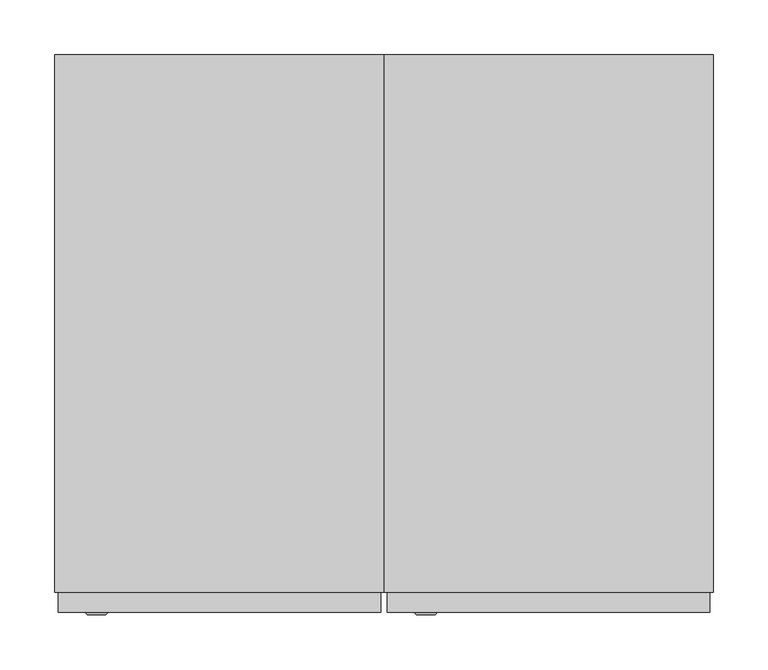
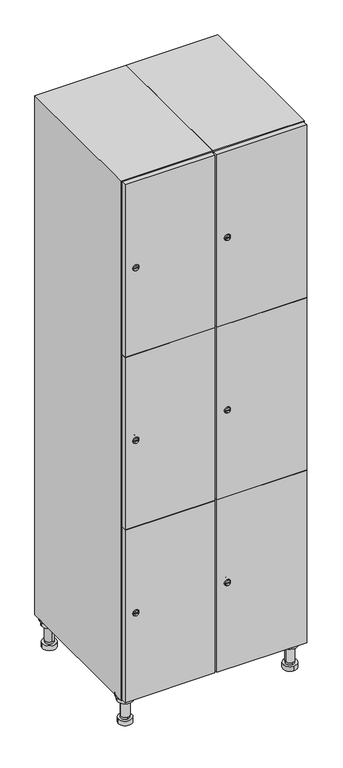
"""IFC4 building model written with IfcOpenShell, lengths in millimetres: furniture geometry."""

from ifc_helpers import new_model, si_unit, point, frame, frame_2d, origin, place, context, project, spatial, polyline, circle_curve, trimmed, segment, composite_curve, outline, extrude, faceted_brep, source, transform, mapped, element, save
from ifc_brep_helpers import plane_surface, cylinder_surface, revolved_surface, advanced_brep


def furniture_cccaa13b(model_context):
    return source(origin(), model_context, "Body", "SolidModel", [
        advanced_brep(
        [(370.0, -201.0, 22.0), (370.0, -201.5, 16.0), (370.0, -228.5, 16.0), (370.0, -229.0, 22.0), (356.0, -215.0, 22.0), (384.0, -215.0, 22.0), (370.0, -192.5, 16.0), (370.0, -237.5, 16.0), (370.0, -192.5, 0.0), (370.0, -237.5, 0.0), (384.0, -215.0, 78.0), (356.0, -215.0, 78.0), (395.0, -215.0, 78.0), (345.0, -215.0, 78.0), (400.0, -215.0, 94.0), (340.0, -215.0, 94.0), (345.0, -215.0, 94.0), (395.0, -215.0, 94.0), (400.0, -215.0, 100.0), (340.0, -215.0, 100.0)],
        [
            (0, 1),
            (1, 2, circle_curve(frame((370.0, -215.0, 16.0), z_axis=(0.0, 0.0, 1.0), x_axis=(0.0, -1.0, 0.0)), 13.5)),
            (2, 3),
            (3, 4, circle_curve(frame((370.0, -215.0, 22.0), z_axis=(0.0, 0.0, -1.0), x_axis=(0.0, -1.0, 0.0)), 14.0)),
            (4, 0, circle_curve(frame((370.0, -215.0, 22.0), z_axis=(0.0, 0.0, -1.0), x_axis=(0.0, -1.0, 0.0)), 14.0)),
            (0, 5, circle_curve(frame((370.0, -215.0, 22.0), z_axis=(0.0, 0.0, -1.0), x_axis=(0.0, 1.0, 0.0)), 14.0)),
            (5, 3, circle_curve(frame((370.0, -215.0, 22.0), z_axis=(0.0, 0.0, -1.0), x_axis=(0.0, 1.0, 0.0)), 14.0)),
            (2, 1, circle_curve(frame((370.0, -215.0, 16.0), z_axis=(0.0, 0.0, 1.0), x_axis=(0.0, 1.0, 0.0)), 13.5)),
            (6, 7, circle_curve(frame((370.0, -215.0, 16.0), z_axis=(0.0, 0.0, 1.0), x_axis=(0.0, -1.0, 0.0)), 22.5)),
            (7, 6, circle_curve(frame((370.0, -215.0, 16.0), z_axis=(0.0, 0.0, 1.0), x_axis=(0.0, -1.0, 0.0)), 22.5)),
            (8, 9, circle_curve(frame((370.0, -215.0, 0.0), z_axis=(0.0, 0.0, -1.0), x_axis=(0.0, -1.0, 0.0)), 22.5)),
            (9, 8, circle_curve(frame((370.0, -215.0, 0.0), z_axis=(0.0, 0.0, -1.0), x_axis=(0.0, -1.0, 0.0)), 22.5)),
            (6, 8),
            (9, 7),
            (5, 10),
            (10, 11, circle_curve(frame((370.0, -215.0, 78.0), z_axis=(0.0, 0.0, -1.0), x_axis=(-1.0, 0.0, 0.0)), 14.0)),
            (11, 4),
            (11, 10, circle_curve(frame((370.0, -215.0, 78.0), z_axis=(0.0, 0.0, -1.0), x_axis=(-1.0, 0.0, 0.0)), 14.0)),
            (12, 13, circle_curve(frame((370.0, -215.0, 78.0), z_axis=(0.0, 0.0, -1.0), x_axis=(-1.0, 0.0, 0.0)), 25.0)),
            (13, 12, circle_curve(frame((370.0, -215.0, 78.0), z_axis=(0.0, 0.0, -1.0), x_axis=(-1.0, 0.0, 0.0)), 25.0)),
            (14, 15, circle_curve(frame((370.0, -215.0, 94.0), z_axis=(0.0, 0.0, -1.0), x_axis=(-1.0, 0.0, 0.0)), 30.0)),
            (15, 14, circle_curve(frame((370.0, -215.0, 94.0), z_axis=(0.0, 0.0, -1.0), x_axis=(-1.0, 0.0, 0.0)), 30.0)),
            (16, 17, circle_curve(frame((370.0, -215.0, 94.0), z_axis=(0.0, 0.0, 1.0), x_axis=(-1.0, 0.0, 0.0)), 25.0)),
            (17, 16, circle_curve(frame((370.0, -215.0, 94.0), z_axis=(0.0, 0.0, 1.0), x_axis=(-1.0, 0.0, 0.0)), 25.0)),
            (18, 19, circle_curve(frame((370.0, -215.0, 100.0), z_axis=(0.0, 0.0, 1.0), x_axis=(-1.0, 0.0, 0.0)), 30.0)),
            (19, 18, circle_curve(frame((370.0, -215.0, 100.0), z_axis=(0.0, 0.0, 1.0), x_axis=(-1.0, 0.0, 0.0)), 30.0)),
            (14, 18),
            (19, 15),
            (12, 17),
            (16, 13),
        ],
        [
            revolved_surface(polyline([(370.0, -201.5, 16.0), (370.0, -201.0, 22.0)]), (370.0, -215.0, -146.0), (0.0, 0.0, 1.0)),
            plane_surface(frame((370.0, 0.0, 16.0), z_axis=(0.0, 0.0, 1.0), x_axis=(0.0, -1.0, 0.0))),
            plane_surface(frame((370.0, 0.0, 0.0), z_axis=(0.0, 0.0, -1.0), x_axis=(0.0, -1.0, 0.0))),
            cylinder_surface(frame((370.0, -215.0, 16.0), z_axis=(0.0, 0.0, 1.0), x_axis=(0.0, -1.0, 0.0)), 22.5),
            cylinder_surface(frame((370.0, -215.0, 22.0), z_axis=(0.0, 0.0, -1.0), x_axis=(-1.0, 0.0, 0.0)), 14.0),
            plane_surface(frame((370.0, 0.0, 78.0), z_axis=(0.0, 0.0, -1.0), x_axis=(0.0, -1.0, 0.0))),
            plane_surface(frame((370.0, 0.0, 94.0), z_axis=(0.0, 0.0, -1.0), x_axis=(0.0, -1.0, 0.0))),
            plane_surface(frame((370.0, 0.0, 100.0), z_axis=(0.0, 0.0, 1.0), x_axis=(0.0, -1.0, 0.0))),
            cylinder_surface(frame((370.0, -215.0, 94.0), z_axis=(0.0, 0.0, -1.0), x_axis=(-1.0, 0.0, 0.0)), 30.0),
            cylinder_surface(frame((370.0, -215.0, 78.0), z_axis=(0.0, 0.0, -1.0), x_axis=(-1.0, 0.0, 0.0)), 25.0),
        ],
        [
            (0, [[1, 2, 3, 4, 5]]),
            (0, [[-1, 6, 7, -3, 8]]),
            (1, [[9, 10], [-2, -8]]),
            (2, [[11, 12]]),
            (3, [[-9, 13, -12, 14]]),
            (3, [[-10, -14, -11, -13]]),
            (4, [[15, 16, 17, -4, -7]]),
            (4, [[-15, -6, -5, -17, 18]]),
            (5, [[19, 20], [-16, -18]]),
            (6, [[21, 22], [23, 24]]),
            (7, [[25, 26]]),
            (8, [[-21, 27, -26, 28]]),
            (8, [[-22, -28, -25, -27]]),
            (9, [[-19, 29, -23, 30]]),
            (9, [[-20, -30, -24, -29]]),
        ],
    ),
        advanced_brep(
        [(-170.0, -201.0, 22.0), (-170.0, -201.5, 16.0), (-170.0, -228.5, 16.0), (-170.0, -229.0, 22.0), (-184.0, -215.0, 22.0), (-156.0, -215.0, 22.0), (-147.5, -215.0, 0.0), (-192.5, -215.0, 0.0), (-147.5, -215.0, 16.0), (-192.5, -215.0, 16.0), (-156.0, -215.0, 78.0), (-184.0, -215.0, 78.0), (-145.0, -215.0, 78.0), (-195.0, -215.0, 78.0), (-140.0, -215.0, 94.0), (-200.0, -215.0, 94.0), (-195.0, -215.0, 94.0), (-145.0, -215.0, 94.0), (-140.0, -215.0, 100.0), (-200.0, -215.0, 100.0)],
        [
            (0, 1),
            (1, 2, circle_curve(frame((-170.0, -215.0, 16.0), z_axis=(0.0, 0.0, 1.0), x_axis=(0.0, -1.0, 0.0)), 13.5)),
            (2, 3),
            (3, 4, circle_curve(frame((-170.0, -215.0, 22.0), z_axis=(0.0, 0.0, -1.0), x_axis=(0.0, -1.0, 0.0)), 14.0)),
            (4, 0, circle_curve(frame((-170.0, -215.0, 22.0), z_axis=(0.0, 0.0, -1.0), x_axis=(0.0, -1.0, 0.0)), 14.0)),
            (0, 5, circle_curve(frame((-170.0, -215.0, 22.0), z_axis=(0.0, 0.0, -1.0), x_axis=(0.0, 1.0, 0.0)), 14.0)),
            (5, 3, circle_curve(frame((-170.0, -215.0, 22.0), z_axis=(0.0, 0.0, -1.0), x_axis=(0.0, 1.0, 0.0)), 14.0)),
            (2, 1, circle_curve(frame((-170.0, -215.0, 16.0), z_axis=(0.0, 0.0, 1.0), x_axis=(0.0, 1.0, 0.0)), 13.5)),
            (6, 7, circle_curve(frame((-170.0, -215.0, 0.0), z_axis=(0.0, 0.0, -1.0), x_axis=(-1.0, 0.0, 0.0)), 22.5)),
            (7, 6, circle_curve(frame((-170.0, -215.0, 0.0), z_axis=(0.0, 0.0, -1.0), x_axis=(-1.0, 0.0, 0.0)), 22.5)),
            (8, 9, circle_curve(frame((-170.0, -215.0, 16.0), z_axis=(0.0, 0.0, 1.0), x_axis=(-1.0, 0.0, 0.0)), 22.5)),
            (9, 8, circle_curve(frame((-170.0, -215.0, 16.0), z_axis=(0.0, 0.0, 1.0), x_axis=(-1.0, 0.0, 0.0)), 22.5)),
            (6, 8),
            (9, 7),
            (5, 10),
            (10, 11, circle_curve(frame((-170.0, -215.0, 78.0), z_axis=(0.0, 0.0, -1.0), x_axis=(-1.0, 0.0, 0.0)), 14.0)),
            (11, 4),
            (11, 10, circle_curve(frame((-170.0, -215.0, 78.0), z_axis=(0.0, 0.0, -1.0), x_axis=(-1.0, 0.0, 0.0)), 14.0)),
            (12, 13, circle_curve(frame((-170.0, -215.0, 78.0), z_axis=(0.0, 0.0, -1.0), x_axis=(-1.0, 0.0, 0.0)), 25.0)),
            (13, 12, circle_curve(frame((-170.0, -215.0, 78.0), z_axis=(0.0, 0.0, -1.0), x_axis=(-1.0, 0.0, 0.0)), 25.0)),
            (14, 15, circle_curve(frame((-170.0, -215.0, 94.0), z_axis=(0.0, 0.0, -1.0), x_axis=(-1.0, 0.0, 0.0)), 30.0)),
            (15, 14, circle_curve(frame((-170.0, -215.0, 94.0), z_axis=(0.0, 0.0, -1.0), x_axis=(-1.0, 0.0, 0.0)), 30.0)),
            (16, 17, circle_curve(frame((-170.0, -215.0, 94.0), z_axis=(0.0, 0.0, 1.0), x_axis=(-1.0, 0.0, 0.0)), 25.0)),
            (17, 16, circle_curve(frame((-170.0, -215.0, 94.0), z_axis=(0.0, 0.0, 1.0), x_axis=(-1.0, 0.0, 0.0)), 25.0)),
            (18, 19, circle_curve(frame((-170.0, -215.0, 100.0), z_axis=(0.0, 0.0, 1.0), x_axis=(-1.0, 0.0, 0.0)), 30.0)),
            (19, 18, circle_curve(frame((-170.0, -215.0, 100.0), z_axis=(0.0, 0.0, 1.0), x_axis=(-1.0, 0.0, 0.0)), 30.0)),
            (14, 18),
            (19, 15),
            (12, 17),
            (16, 13),
        ],
        [
            revolved_surface(polyline([(-170.0, -201.5, 16.0), (-170.0, -201.0, 22.0)]), (-170.0, -215.0, -146.0), (0.0, 0.0, 1.0)),
            plane_surface(frame((-170.0, 0.0, 0.0), z_axis=(0.0, 0.0, -1.0), x_axis=(0.0, -1.0, 0.0))),
            plane_surface(frame((-170.0, 0.0, 16.0), z_axis=(0.0, 0.0, 1.0), x_axis=(0.0, -1.0, 0.0))),
            cylinder_surface(frame((-170.0, -215.0, 0.0), z_axis=(0.0, 0.0, -1.0), x_axis=(-1.0, 0.0, 0.0)), 22.5),
            cylinder_surface(frame((-170.0, -215.0, 22.0), z_axis=(0.0, 0.0, -1.0), x_axis=(-1.0, 0.0, 0.0)), 14.0),
            plane_surface(frame((-170.0, 0.0, 78.0), z_axis=(0.0, 0.0, -1.0), x_axis=(0.0, -1.0, 0.0))),
            plane_surface(frame((-170.0, 0.0, 94.0), z_axis=(0.0, 0.0, -1.0), x_axis=(0.0, -1.0, 0.0))),
            plane_surface(frame((-170.0, 0.0, 100.0), z_axis=(0.0, 0.0, 1.0), x_axis=(0.0, -1.0, 0.0))),
            cylinder_surface(frame((-170.0, -215.0, 94.0), z_axis=(0.0, 0.0, -1.0), x_axis=(-1.0, 0.0, 0.0)), 30.0),
            cylinder_surface(frame((-170.0, -215.0, 78.0), z_axis=(0.0, 0.0, -1.0), x_axis=(-1.0, 0.0, 0.0)), 25.0),
        ],
        [
            (0, [[1, 2, 3, 4, 5]]),
            (0, [[-1, 6, 7, -3, 8]]),
            (1, [[9, 10]]),
            (2, [[11, 12], [-2, -8]]),
            (3, [[-9, 13, -12, 14]]),
            (3, [[-10, -14, -11, -13]]),
            (4, [[15, 16, 17, -4, -7]]),
            (4, [[-15, -6, -5, -17, 18]]),
            (5, [[19, 20], [-16, -18]]),
            (6, [[21, 22], [23, 24]]),
            (7, [[25, 26]]),
            (8, [[-21, 27, -26, 28]]),
            (8, [[-22, -28, -25, -27]]),
            (9, [[-19, 29, -23, 30]]),
            (9, [[-20, -30, -24, -29]]),
        ],
    ),
        advanced_brep(
        [(383.5, 215.0, 16.0), (384.0, 215.0, 22.0), (356.0, 215.0, 22.0), (356.5, 215.0, 16.0), (392.5, 215.0, 0.0), (347.5, 215.0, 0.0), (392.5, 215.0, 16.0), (347.5, 215.0, 16.0), (384.0, 215.0, 78.0), (356.0, 215.0, 78.0), (395.0, 215.0, 78.0), (345.0, 215.0, 78.0), (400.0, 215.0, 94.0), (340.0, 215.0, 94.0), (345.0, 215.0, 94.0), (395.0, 215.0, 94.0), (400.0, 215.0, 100.0), (340.0, 215.0, 100.0)],
        [
            (0, 1),
            (1, 2, circle_curve(frame((370.0, 215.0, 22.0), z_axis=(0.0, 0.0, -1.0), x_axis=(-1.0, 0.0, 0.0)), 14.0)),
            (2, 3),
            (3, 0, circle_curve(frame((370.0, 215.0, 16.0), z_axis=(0.0, 0.0, 1.0), x_axis=(-1.0, 0.0, 0.0)), 13.5)),
            (0, 3, circle_curve(frame((370.0, 215.0, 16.0), z_axis=(0.0, 0.0, 1.0), x_axis=(1.0, 0.0, 0.0)), 13.5)),
            (2, 1, circle_curve(frame((370.0, 215.0, 22.0), z_axis=(0.0, 0.0, -1.0), x_axis=(1.0, 0.0, 0.0)), 14.0)),
            (4, 5, circle_curve(frame((370.0, 215.0, 0.0), z_axis=(0.0, 0.0, -1.0), x_axis=(-1.0, 0.0, 0.0)), 22.5)),
            (5, 4, circle_curve(frame((370.0, 215.0, 0.0), z_axis=(0.0, 0.0, -1.0), x_axis=(-1.0, 0.0, 0.0)), 22.5)),
            (6, 7, circle_curve(frame((370.0, 215.0, 16.0), z_axis=(0.0, 0.0, 1.0), x_axis=(-1.0, 0.0, 0.0)), 22.5)),
            (7, 6, circle_curve(frame((370.0, 215.0, 16.0), z_axis=(0.0, 0.0, 1.0), x_axis=(-1.0, 0.0, 0.0)), 22.5)),
            (4, 6),
            (7, 5),
            (1, 8),
            (8, 9, circle_curve(frame((370.0, 215.0, 78.0), z_axis=(0.0, 0.0, -1.0), x_axis=(-1.0, 0.0, 0.0)), 14.0)),
            (9, 2),
            (9, 8, circle_curve(frame((370.0, 215.0, 78.0), z_axis=(0.0, 0.0, -1.0), x_axis=(-1.0, 0.0, 0.0)), 14.0)),
            (10, 11, circle_curve(frame((370.0, 215.0, 78.0), z_axis=(0.0, 0.0, -1.0), x_axis=(-1.0, 0.0, 0.0)), 25.0)),
            (11, 10, circle_curve(frame((370.0, 215.0, 78.0), z_axis=(0.0, 0.0, -1.0), x_axis=(-1.0, 0.0, 0.0)), 25.0)),
            (12, 13, circle_curve(frame((370.0, 215.0, 94.0), z_axis=(0.0, 0.0, -1.0), x_axis=(-1.0, 0.0, 0.0)), 30.0)),
            (13, 12, circle_curve(frame((370.0, 215.0, 94.0), z_axis=(0.0, 0.0, -1.0), x_axis=(-1.0, 0.0, 0.0)), 30.0)),
            (14, 15, circle_curve(frame((370.0, 215.0, 94.0), z_axis=(0.0, 0.0, 1.0), x_axis=(-1.0, 0.0, 0.0)), 25.0)),
            (15, 14, circle_curve(frame((370.0, 215.0, 94.0), z_axis=(0.0, 0.0, 1.0), x_axis=(-1.0, 0.0, 0.0)), 25.0)),
            (16, 17, circle_curve(frame((370.0, 215.0, 100.0), z_axis=(0.0, 0.0, 1.0), x_axis=(-1.0, 0.0, 0.0)), 30.0)),
            (17, 16, circle_curve(frame((370.0, 215.0, 100.0), z_axis=(0.0, 0.0, 1.0), x_axis=(-1.0, 0.0, 0.0)), 30.0)),
            (12, 16),
            (17, 13),
            (10, 15),
            (14, 11),
        ],
        [
            revolved_surface(polyline([(383.5, 215.0, 16.0), (384.0, 215.0, 22.0)]), (370.0, 215.0, -146.0), (0.0, 0.0, 1.0)),
            plane_surface(frame((370.0, 0.0, 0.0), z_axis=(0.0, 0.0, -1.0), x_axis=(0.0, -1.0, 0.0))),
            plane_surface(frame((370.0, 0.0, 16.0), z_axis=(0.0, 0.0, 1.0), x_axis=(0.0, -1.0, 0.0))),
            cylinder_surface(frame((370.0, 215.0, 0.0), z_axis=(0.0, 0.0, -1.0), x_axis=(-1.0, 0.0, 0.0)), 22.5),
            cylinder_surface(frame((370.0, 215.0, 22.0), z_axis=(0.0, 0.0, -1.0), x_axis=(-1.0, 0.0, 0.0)), 14.0),
            plane_surface(frame((370.0, 0.0, 78.0), z_axis=(0.0, 0.0, -1.0), x_axis=(0.0, -1.0, 0.0))),
            plane_surface(frame((370.0, 0.0, 94.0), z_axis=(0.0, 0.0, -1.0), x_axis=(0.0, -1.0, 0.0))),
            plane_surface(frame((370.0, 0.0, 100.0), z_axis=(0.0, 0.0, 1.0), x_axis=(0.0, -1.0, 0.0))),
            cylinder_surface(frame((370.0, 215.0, 94.0), z_axis=(0.0, 0.0, -1.0), x_axis=(-1.0, 0.0, 0.0)), 30.0),
            cylinder_surface(frame((370.0, 215.0, 78.0), z_axis=(0.0, 0.0, -1.0), x_axis=(-1.0, 0.0, 0.0)), 25.0),
        ],
        [
            (0, [[1, 2, 3, 4]]),
            (0, [[-1, 5, -3, 6]]),
            (1, [[7, 8]]),
            (2, [[9, 10], [-4, -5]]),
            (3, [[-7, 11, -10, 12]]),
            (3, [[-8, -12, -9, -11]]),
            (4, [[13, 14, 15, -2]]),
            (4, [[-13, -6, -15, 16]]),
            (5, [[17, 18], [-14, -16]]),
            (6, [[19, 20], [21, 22]]),
            (7, [[23, 24]]),
            (8, [[-19, 25, -24, 26]]),
            (8, [[-20, -26, -23, -25]]),
            (9, [[-17, 27, -21, 28]]),
            (9, [[-18, -28, -22, -27]]),
        ],
    ),
        advanced_brep(
        [(-156.5, 215.0, 16.0), (-156.0, 215.0, 22.0), (-170.0, 201.0, 22.0), (-184.0, 215.0, 22.0), (-183.5, 215.0, 16.0), (-170.0, 229.0, 22.0), (-147.5, 215.0, 0.0), (-192.5, 215.0, 0.0), (-147.5, 215.0, 16.0), (-192.5, 215.0, 16.0), (-170.0, 229.0, 78.0), (-170.0, 201.0, 78.0), (-145.0, 215.0, 78.0), (-195.0, 215.0, 78.0), (-140.0, 215.0, 94.0), (-200.0, 215.0, 94.0), (-195.0, 215.0, 94.0), (-145.0, 215.0, 94.0), (-140.0, 215.0, 100.0), (-200.0, 215.0, 100.0)],
        [
            (0, 1),
            (1, 2, circle_curve(frame((-170.0, 215.0, 22.0), z_axis=(0.0, 0.0, -1.0), x_axis=(-1.0, 0.0, 0.0)), 14.0)),
            (2, 3, circle_curve(frame((-170.0, 215.0, 22.0), z_axis=(0.0, 0.0, -1.0), x_axis=(-1.0, 0.0, 0.0)), 14.0)),
            (3, 4),
            (4, 0, circle_curve(frame((-170.0, 215.0, 16.0), z_axis=(0.0, 0.0, 1.0), x_axis=(-1.0, 0.0, 0.0)), 13.5)),
            (0, 4, circle_curve(frame((-170.0, 215.0, 16.0), z_axis=(0.0, 0.0, 1.0), x_axis=(1.0, 0.0, 0.0)), 13.5)),
            (3, 5, circle_curve(frame((-170.0, 215.0, 22.0), z_axis=(0.0, 0.0, -1.0), x_axis=(1.0, 0.0, 0.0)), 14.0)),
            (5, 1, circle_curve(frame((-170.0, 215.0, 22.0), z_axis=(0.0, 0.0, -1.0), x_axis=(1.0, 0.0, 0.0)), 14.0)),
            (6, 7, circle_curve(frame((-170.0, 215.0, 0.0), z_axis=(0.0, 0.0, -1.0), x_axis=(-1.0, 0.0, 0.0)), 22.5)),
            (7, 6, circle_curve(frame((-170.0, 215.0, 0.0), z_axis=(0.0, 0.0, -1.0), x_axis=(-1.0, 0.0, 0.0)), 22.5)),
            (8, 9, circle_curve(frame((-170.0, 215.0, 16.0), z_axis=(0.0, 0.0, 1.0), x_axis=(-1.0, 0.0, 0.0)), 22.5)),
            (9, 8, circle_curve(frame((-170.0, 215.0, 16.0), z_axis=(0.0, 0.0, 1.0), x_axis=(-1.0, 0.0, 0.0)), 22.5)),
            (6, 8),
            (9, 7),
            (10, 5),
            (2, 11),
            (11, 10, circle_curve(frame((-170.0, 215.0, 78.0), z_axis=(0.0, 0.0, -1.0), x_axis=(0.0, -1.0, 0.0)), 14.0)),
            (10, 11, circle_curve(frame((-170.0, 215.0, 78.0), z_axis=(0.0, 0.0, -1.0), x_axis=(0.0, -1.0, 0.0)), 14.0)),
            (12, 13, circle_curve(frame((-170.0, 215.0, 78.0), z_axis=(0.0, 0.0, -1.0), x_axis=(-1.0, 0.0, 0.0)), 25.0)),
            (13, 12, circle_curve(frame((-170.0, 215.0, 78.0), z_axis=(0.0, 0.0, -1.0), x_axis=(-1.0, 0.0, 0.0)), 25.0)),
            (14, 15, circle_curve(frame((-170.0, 215.0, 94.0), z_axis=(0.0, 0.0, -1.0), x_axis=(-1.0, 0.0, 0.0)), 30.0)),
            (15, 14, circle_curve(frame((-170.0, 215.0, 94.0), z_axis=(0.0, 0.0, -1.0), x_axis=(-1.0, 0.0, 0.0)), 30.0)),
            (16, 17, circle_curve(frame((-170.0, 215.0, 94.0), z_axis=(0.0, 0.0, 1.0), x_axis=(-1.0, 0.0, 0.0)), 25.0)),
            (17, 16, circle_curve(frame((-170.0, 215.0, 94.0), z_axis=(0.0, 0.0, 1.0), x_axis=(-1.0, 0.0, 0.0)), 25.0)),
            (18, 19, circle_curve(frame((-170.0, 215.0, 100.0), z_axis=(0.0, 0.0, 1.0), x_axis=(-1.0, 0.0, 0.0)), 30.0)),
            (19, 18, circle_curve(frame((-170.0, 215.0, 100.0), z_axis=(0.0, 0.0, 1.0), x_axis=(-1.0, 0.0, 0.0)), 30.0)),
            (14, 18),
            (19, 15),
            (12, 17),
            (16, 13),
        ],
        [
            revolved_surface(polyline([(-156.5, 215.0, 16.0), (-156.0, 215.0, 22.0)]), (-170.0, 215.0, -146.0), (0.0, 0.0, 1.0)),
            plane_surface(frame((-170.0, 0.0, 0.0), z_axis=(0.0, 0.0, -1.0), x_axis=(0.0, -1.0, 0.0))),
            plane_surface(frame((-170.0, 0.0, 16.0), z_axis=(0.0, 0.0, 1.0), x_axis=(0.0, -1.0, 0.0))),
            cylinder_surface(frame((-170.0, 215.0, 0.0), z_axis=(0.0, 0.0, -1.0), x_axis=(-1.0, 0.0, 0.0)), 22.5),
            cylinder_surface(frame((-170.0, 215.0, 78.0), z_axis=(0.0, 0.0, 1.0), x_axis=(0.0, -1.0, 0.0)), 14.0),
            plane_surface(frame((-170.0, 0.0, 78.0), z_axis=(0.0, 0.0, -1.0), x_axis=(0.0, -1.0, 0.0))),
            plane_surface(frame((-170.0, 0.0, 94.0), z_axis=(0.0, 0.0, -1.0), x_axis=(0.0, -1.0, 0.0))),
            plane_surface(frame((-170.0, 0.0, 100.0), z_axis=(0.0, 0.0, 1.0), x_axis=(0.0, -1.0, 0.0))),
            cylinder_surface(frame((-170.0, 215.0, 94.0), z_axis=(0.0, 0.0, -1.0), x_axis=(-1.0, 0.0, 0.0)), 30.0),
            cylinder_surface(frame((-170.0, 215.0, 78.0), z_axis=(0.0, 0.0, -1.0), x_axis=(-1.0, 0.0, 0.0)), 25.0),
        ],
        [
            (0, [[1, 2, 3, 4, 5]]),
            (0, [[-1, 6, -4, 7, 8]]),
            (1, [[9, 10]]),
            (2, [[11, 12], [-5, -6]]),
            (3, [[-9, 13, -12, 14]]),
            (3, [[-10, -14, -11, -13]]),
            (4, [[15, -7, -3, 16, 17]]),
            (4, [[-15, 18, -16, -2, -8]]),
            (5, [[19, 20], [-17, -18]]),
            (6, [[21, 22], [23, 24]]),
            (7, [[25, 26]]),
            (8, [[-21, 27, -26, 28]]),
            (8, [[-22, -28, -25, -27]]),
            (9, [[-19, 29, -23, 30]]),
            (9, [[-20, -30, -24, -29]]),
        ],
    ),
        extrude(outline(composite_curve([segment(trimmed(circle_curve(frame_2d((402.0, 111.2010534)), 7.0), [point((409.0, 111.2010534))], [point((395.0, 111.2010534))], False, "CARTESIAN"), True, "CONTINUOUS"), segment(polyline([(395.0, 111.2010534), (395.0, 139.2010534)]), True, "CONTINUOUS"), segment(trimmed(circle_curve(frame_2d((402.0, 139.2010534)), 7.0), [point((395.0, 139.2010534))], [point((409.0, 139.2010534))], False, "CARTESIAN"), True, "CONTINUOUS"), segment(polyline([(409.0, 139.2010534), (409.0, 111.2010534)]), True, "CONTINUOUS")], self_intersect=False)), frame((0.0, -245.0, 0.0), z_axis=(0.0, 1.0, 0.0), x_axis=(0.0, 0.0, 1.0)), (0.0, 0.0, 1.0), 2.0),
        advanced_brep(
        [(146.5, -265.2, 402.0), (129.5, -265.2, 402.0), (133.0, -265.2, 400.75), (133.0, -265.2, 403.25), (143.0, -265.2, 403.25), (143.0, -265.2, 400.75), (148.5, -263.0, 402.0), (127.5, -263.0, 402.0), (133.0, -263.0, 403.25), (133.0, -263.0, 400.75), (143.0, -263.0, 400.75), (143.0, -263.0, 403.25)],
        [
            (0, 1, circle_curve(frame((138.0, -265.2, 402.0), z_axis=(0.0, -1.0, 0.0), x_axis=(1.0, 0.0, 0.0)), 8.5)),
            (1, 0, circle_curve(frame((138.0, -265.2, 402.0), z_axis=(0.0, -1.0, 0.0), x_axis=(-1.0, 0.0, 0.0)), 8.5)),
            (2, 3),
            (3, 4),
            (4, 5),
            (5, 2),
            (6, 7, circle_curve(frame((138.0, -263.0, 402.0), z_axis=(0.0, 1.0, 0.0), x_axis=(-1.0, 0.0, 0.0)), 10.5)),
            (7, 6, circle_curve(frame((138.0, -263.0, 402.0), z_axis=(0.0, 1.0, 0.0), x_axis=(1.0, 0.0, 0.0)), 10.5)),
            (8, 9),
            (9, 10),
            (10, 11),
            (11, 8),
            (0, 6),
            (7, 1),
            (8, 3),
            (2, 9),
            (11, 4),
            (10, 5),
        ],
        [
            plane_surface(frame((138.0, -265.2, 402.0), z_axis=(0.0, -1.0, 0.0), x_axis=(0.0, 0.0, 1.0))),
            plane_surface(frame((138.0, -263.0, 402.0), z_axis=(0.0, 1.0, 0.0), x_axis=(0.0, 0.0, 1.0))),
            revolved_surface(polyline([(146.5, -265.2, 402.0), (148.5, -263.0, 402.0)]), (138.0, -274.55, 402.0), (0.0, 1.0, 0.0)),
            revolved_surface(polyline([(129.5, -265.2, 402.0), (127.5, -263.0, 402.0)]), (138.0, -274.55, 402.0), (0.0, 1.0, 0.0)),
            plane_surface(frame((133.0, -263.0, 400.75), z_axis=(1.0, 0.0, 0.0), x_axis=(0.0, -1.0, 0.0))),
            plane_surface(frame((133.0, -263.0, 403.25), z_axis=(0.0, 0.0, -1.0), x_axis=(0.0, -1.0, 0.0))),
            plane_surface(frame((143.0, -263.0, 403.25), z_axis=(-1.0, 0.0, 0.0), x_axis=(0.0, -1.0, 0.0))),
            plane_surface(frame((143.0, -263.0, 400.75), z_axis=(0.0, 0.0, 1.0), x_axis=(0.0, -1.0, 0.0))),
        ],
        [
            (0, [[1, 2], [3, 4, 5, 6]]),
            (1, [[7, 8], [9, 10, 11, 12]]),
            (2, [[-1, 13, -8, 14]]),
            (3, [[-2, -14, -7, -13]]),
            (4, [[15, -3, 16, -9]]),
            (5, [[-15, -12, 17, -4]]),
            (6, [[-17, -11, 18, -5]]),
            (7, [[-16, -6, -18, -10]]),
        ],
    ),
        extrude(outline(composite_curve([segment(trimmed(circle_curve(frame_2d((1000.0, 111.2010534)), 7.0), [point((1007.0, 111.2010534))], [point((993.0, 111.2010534))], False, "CARTESIAN"), True, "CONTINUOUS"), segment(polyline([(993.0, 111.2010534), (993.0, 139.2010534)]), True, "CONTINUOUS"), segment(trimmed(circle_curve(frame_2d((1000.0, 139.2010534)), 7.0), [point((993.0, 139.2010534))], [point((1007.0, 139.2010534))], False, "CARTESIAN"), True, "CONTINUOUS"), segment(polyline([(1007.0, 139.2010534), (1007.0, 111.2010534)]), True, "CONTINUOUS")], self_intersect=False)), frame((0.0, -245.0, 0.0), z_axis=(0.0, 1.0, 0.0), x_axis=(0.0, 0.0, 1.0)), (0.0, 0.0, 1.0), 2.0),
        advanced_brep(
        [(146.5, -265.2, 1000.0), (129.5, -265.2, 1000.0), (133.0, -265.2, 998.75), (133.0, -265.2, 1001.25), (143.0, -265.2, 1001.25), (143.0, -265.2, 998.75), (148.5, -263.0, 1000.0), (127.5, -263.0, 1000.0), (133.0, -263.0, 1001.25), (133.0, -263.0, 998.75), (143.0, -263.0, 998.75), (143.0, -263.0, 1001.25)],
        [
            (0, 1, circle_curve(frame((138.0, -265.2, 1000.0), z_axis=(0.0, -1.0, 0.0), x_axis=(1.0, 0.0, 0.0)), 8.5)),
            (1, 0, circle_curve(frame((138.0, -265.2, 1000.0), z_axis=(0.0, -1.0, 0.0), x_axis=(-1.0, 0.0, 0.0)), 8.5)),
            (2, 3),
            (3, 4),
            (4, 5),
            (5, 2),
            (6, 7, circle_curve(frame((138.0, -263.0, 1000.0), z_axis=(0.0, 1.0, 0.0), x_axis=(-1.0, 0.0, 0.0)), 10.5)),
            (7, 6, circle_curve(frame((138.0, -263.0, 1000.0), z_axis=(0.0, 1.0, 0.0), x_axis=(1.0, 0.0, 0.0)), 10.5)),
            (8, 9),
            (9, 10),
            (10, 11),
            (11, 8),
            (0, 6),
            (7, 1),
            (8, 3),
            (2, 9),
            (11, 4),
            (10, 5),
        ],
        [
            plane_surface(frame((138.0, -265.2, 1000.0), z_axis=(0.0, -1.0, 0.0), x_axis=(0.0, 0.0, 1.0))),
            plane_surface(frame((138.0, -263.0, 1000.0), z_axis=(0.0, 1.0, 0.0), x_axis=(0.0, 0.0, 1.0))),
            revolved_surface(polyline([(146.5, -265.2, 1000.0), (148.5, -263.0, 1000.0)]), (138.0, -274.55, 1000.0), (0.0, 1.0, 0.0)),
            revolved_surface(polyline([(129.5, -265.2, 1000.0), (127.5, -263.0, 1000.0)]), (138.0, -274.55, 1000.0), (0.0, 1.0, 0.0)),
            plane_surface(frame((133.0, -263.0, 998.75), z_axis=(1.0, 0.0, 0.0), x_axis=(0.0, -1.0, 0.0))),
            plane_surface(frame((133.0, -263.0, 1001.25), z_axis=(0.0, 0.0, -1.0), x_axis=(0.0, -1.0, 0.0))),
            plane_surface(frame((143.0, -263.0, 1001.25), z_axis=(-1.0, 0.0, 0.0), x_axis=(0.0, -1.0, 0.0))),
            plane_surface(frame((143.0, -263.0, 998.75), z_axis=(0.0, 0.0, 1.0), x_axis=(0.0, -1.0, 0.0))),
        ],
        [
            (0, [[1, 2], [3, 4, 5, 6]]),
            (1, [[7, 8], [9, 10, 11, 12]]),
            (2, [[-1, 13, -8, 14]]),
            (3, [[-2, -14, -7, -13]]),
            (4, [[15, -3, 16, -9]]),
            (5, [[-15, -12, 17, -4]]),
            (6, [[-17, -11, 18, -5]]),
            (7, [[-16, -6, -18, -10]]),
        ],
    ),
        extrude(outline(composite_curve([segment(trimmed(circle_curve(frame_2d((1598.0, 111.2010534)), 7.0), [point((1605.0, 111.2010534))], [point((1591.0, 111.2010534))], False, "CARTESIAN"), True, "CONTINUOUS"), segment(polyline([(1591.0, 111.2010534), (1591.0, 139.2010534)]), True, "CONTINUOUS"), segment(trimmed(circle_curve(frame_2d((1598.0, 139.2010534)), 7.0), [point((1591.0, 139.2010534))], [point((1605.0, 139.2010534))], False, "CARTESIAN"), True, "CONTINUOUS"), segment(polyline([(1605.0, 139.2010534), (1605.0, 111.2010534)]), True, "CONTINUOUS")], self_intersect=False)), frame((0.0, -245.0, 0.0), z_axis=(0.0, 1.0, 0.0), x_axis=(0.0, 0.0, 1.0)), (0.0, 0.0, 1.0), 2.0),
        advanced_brep(
        [(146.5, -265.2, 1598.0), (129.5, -265.2, 1598.0), (133.0, -265.2, 1596.75), (133.0, -265.2, 1599.25), (143.0, -265.2, 1599.25), (143.0, -265.2, 1596.75), (148.5, -263.0, 1598.0), (127.5, -263.0, 1598.0), (133.0, -263.0, 1599.25), (133.0, -263.0, 1596.75), (143.0, -263.0, 1596.75), (143.0, -263.0, 1599.25)],
        [
            (0, 1, circle_curve(frame((138.0, -265.2, 1598.0), z_axis=(0.0, -1.0, 0.0), x_axis=(1.0, 0.0, 0.0)), 8.5)),
            (1, 0, circle_curve(frame((138.0, -265.2, 1598.0), z_axis=(0.0, -1.0, 0.0), x_axis=(-1.0, 0.0, 0.0)), 8.5)),
            (2, 3),
            (3, 4),
            (4, 5),
            (5, 2),
            (6, 7, circle_curve(frame((138.0, -263.0, 1598.0), z_axis=(0.0, 1.0, 0.0), x_axis=(-1.0, 0.0, 0.0)), 10.5)),
            (7, 6, circle_curve(frame((138.0, -263.0, 1598.0), z_axis=(0.0, 1.0, 0.0), x_axis=(1.0, 0.0, 0.0)), 10.5)),
            (8, 9),
            (9, 10),
            (10, 11),
            (11, 8),
            (0, 6),
            (7, 1),
            (8, 3),
            (2, 9),
            (11, 4),
            (10, 5),
        ],
        [
            plane_surface(frame((138.0, -265.2, 1598.0), z_axis=(0.0, -1.0, 0.0), x_axis=(0.0, 0.0, 1.0))),
            plane_surface(frame((138.0, -263.0, 1598.0), z_axis=(0.0, 1.0, 0.0), x_axis=(0.0, 0.0, 1.0))),
            revolved_surface(polyline([(146.5, -265.2, 1598.0), (148.5, -263.0, 1598.0)]), (138.0, -274.55, 1598.0), (0.0, 1.0, 0.0)),
            revolved_surface(polyline([(129.5, -265.2, 1598.0), (127.5, -263.0, 1598.0)]), (138.0, -274.55, 1598.0), (0.0, 1.0, 0.0)),
            plane_surface(frame((133.0, -263.0, 1596.75), z_axis=(1.0, 0.0, 0.0), x_axis=(0.0, -1.0, 0.0))),
            plane_surface(frame((133.0, -263.0, 1599.25), z_axis=(0.0, 0.0, -1.0), x_axis=(0.0, -1.0, 0.0))),
            plane_surface(frame((143.0, -263.0, 1599.25), z_axis=(-1.0, 0.0, 0.0), x_axis=(0.0, -1.0, 0.0))),
            plane_surface(frame((143.0, -263.0, 1596.75), z_axis=(0.0, 0.0, 1.0), x_axis=(0.0, -1.0, 0.0))),
        ],
        [
            (0, [[1, 2], [3, 4, 5, 6]]),
            (1, [[7, 8], [9, 10, 11, 12]]),
            (2, [[-1, 13, -8, 14]]),
            (3, [[-2, -14, -7, -13]]),
            (4, [[15, -3, 16, -9]]),
            (5, [[-15, -12, 17, -4]]),
            (6, [[-17, -11, 18, -5]]),
            (7, [[-16, -6, -18, -10]]),
        ],
    ),
        extrude(outline(polyline([(397.0, -245.0), (397.0, -263.0), (103.0, -263.0), (103.0, -245.0), (397.0, -245.0)])), frame((0.0, 0.0, 701.5), z_axis=(0.0, 0.0, 1.0), x_axis=(1.0, 0.0, 0.0)), (0.0, 0.0, 1.0), 597.0),
        extrude(outline(polyline([(103.0, -263.0), (103.0, -245.0), (397.0, -245.0), (397.0, -263.0), (103.0, -263.0)])), frame((0.0, 0.0, 1299.5), z_axis=(0.0, 0.0, 1.0), x_axis=(1.0, 0.0, 0.0)), (0.0, 0.0, 1.0), 597.5),
        extrude(outline(polyline([(397.0, -245.0), (397.0, -263.0), (103.0, -263.0), (103.0, -245.0), (397.0, -245.0)])), frame((0.0, 0.0, 103.0), z_axis=(0.0, 0.0, 1.0), x_axis=(1.0, 0.0, 0.0)), (0.0, 0.0, 1.0), 597.5),
        extrude(outline(polyline([(382.0, 227.0), (382.0, -227.0), (118.0, -227.0), (118.0, 227.0), (382.0, 227.0)])), frame((0.0, 0.0, 1285.0), z_axis=(0.0, 0.0, 1.0), x_axis=(1.0, 0.0, 0.0)), (0.0, 0.0, 1.0), 18.0),
        extrude(outline(polyline([(118.0, 227.0), (382.0, 227.0), (382.0, -227.0), (118.0, -227.0), (118.0, 227.0)])), frame((0.0, 0.0, 697.0), z_axis=(0.0, 0.0, 1.0), x_axis=(1.0, 0.0, 0.0)), (0.0, 0.0, 1.0), 18.0),
        faceted_brep([(400.0, -245.0, 100.0), (400.0, -245.0, 1900.0), (100.0, -245.0, 1900.0), (100.0, -245.0, 100.0), (382.0, -245.0, 1882.0), (382.0, -245.0, 118.0), (118.0, -245.0, 118.0), (118.0, -245.0, 1882.0), (400.0, 245.0, 100.0), (100.0, 245.0, 100.0), (400.0, 245.0, 1900.0), (100.0, 245.0, 1900.0), (382.0, 227.0, 1882.0), (382.0, 227.0, 118.0), (100.0, 245.0, 1882.0), (118.0, 227.0, 1882.0), (118.0, 227.0, 118.0)], [[[0, 1, 2, 3], [4, 5, 6, 7]], [[8, 0, 3, 9]], [[1, 0, 8, 10]], [[1, 10, 11, 2]], [[4, 12, 13, 5]], [[9, 3, 2, 11, 14]], [[10, 8, 9, 14, 11]], [[12, 15, 16, 13]], [[15, 7, 6, 16]], [[4, 7, 15, 12]], [[6, 5, 13, 16]]]),
        extrude(outline(composite_curve([segment(trimmed(circle_curve(frame_2d((402.0, -188.7989466)), 7.0), [point((409.0, -188.7989466))], [point((395.0, -188.7989466))], False, "CARTESIAN"), True, "CONTINUOUS"), segment(polyline([(395.0, -188.7989466), (395.0, -160.7989466)]), True, "CONTINUOUS"), segment(trimmed(circle_curve(frame_2d((402.0, -160.7989466)), 7.0), [point((395.0, -160.7989466))], [point((409.0, -160.7989466))], False, "CARTESIAN"), True, "CONTINUOUS"), segment(polyline([(409.0, -160.7989466), (409.0, -188.7989466)]), True, "CONTINUOUS")], self_intersect=False)), frame((0.0, -245.0, 0.0), z_axis=(0.0, 1.0, 0.0), x_axis=(0.0, 0.0, 1.0)), (0.0, 0.0, 1.0), 2.0),
        advanced_brep(
        [(-153.5, -265.2, 402.0), (-170.5, -265.2, 402.0), (-167.0, -265.2, 400.75), (-167.0, -265.2, 403.25), (-157.0, -265.2, 403.25), (-157.0, -265.2, 400.75), (-151.5, -263.0, 402.0), (-172.5, -263.0, 402.0), (-167.0, -263.0, 403.25), (-167.0, -263.0, 400.75), (-157.0, -263.0, 400.75), (-157.0, -263.0, 403.25)],
        [
            (0, 1, circle_curve(frame((-162.0, -265.2, 402.0), z_axis=(0.0, -1.0, 0.0), x_axis=(1.0, 0.0, 0.0)), 8.5)),
            (1, 0, circle_curve(frame((-162.0, -265.2, 402.0), z_axis=(0.0, -1.0, 0.0), x_axis=(-1.0, 0.0, 0.0)), 8.5)),
            (2, 3),
            (3, 4),
            (4, 5),
            (5, 2),
            (6, 7, circle_curve(frame((-162.0, -263.0, 402.0), z_axis=(0.0, 1.0, 0.0), x_axis=(-1.0, 0.0, 0.0)), 10.5)),
            (7, 6, circle_curve(frame((-162.0, -263.0, 402.0), z_axis=(0.0, 1.0, 0.0), x_axis=(1.0, 0.0, 0.0)), 10.5)),
            (8, 9),
            (9, 10),
            (10, 11),
            (11, 8),
            (0, 6),
            (7, 1),
            (8, 3),
            (2, 9),
            (11, 4),
            (10, 5),
        ],
        [
            plane_surface(frame((-162.0, -265.2, 402.0), z_axis=(0.0, -1.0, 0.0), x_axis=(0.0, 0.0, 1.0))),
            plane_surface(frame((-162.0, -263.0, 402.0), z_axis=(0.0, 1.0, 0.0), x_axis=(0.0, 0.0, 1.0))),
            revolved_surface(polyline([(-153.5, -265.2, 402.0), (-151.5, -263.0, 402.0)]), (-162.0, -274.55, 402.0), (0.0, 1.0, 0.0)),
            revolved_surface(polyline([(-170.5, -265.2, 402.0), (-172.5, -263.0, 402.0)]), (-162.0, -274.55, 402.0), (0.0, 1.0, 0.0)),
            plane_surface(frame((-167.0, -263.0, 400.75), z_axis=(1.0, 0.0, 0.0), x_axis=(0.0, -1.0, 0.0))),
            plane_surface(frame((-167.0, -263.0, 403.25), z_axis=(0.0, 0.0, -1.0), x_axis=(0.0, -1.0, 0.0))),
            plane_surface(frame((-157.0, -263.0, 403.25), z_axis=(-1.0, 0.0, 0.0), x_axis=(0.0, -1.0, 0.0))),
            plane_surface(frame((-157.0, -263.0, 400.75), z_axis=(0.0, 0.0, 1.0), x_axis=(0.0, -1.0, 0.0))),
        ],
        [
            (0, [[1, 2], [3, 4, 5, 6]]),
            (1, [[7, 8], [9, 10, 11, 12]]),
            (2, [[-1, 13, -8, 14]]),
            (3, [[-2, -14, -7, -13]]),
            (4, [[15, -3, 16, -9]]),
            (5, [[-15, -12, 17, -4]]),
            (6, [[-17, -11, 18, -5]]),
            (7, [[-16, -6, -18, -10]]),
        ],
    ),
        extrude(outline(composite_curve([segment(trimmed(circle_curve(frame_2d((1000.0, -188.7989466)), 7.0), [point((1007.0, -188.7989466))], [point((993.0, -188.7989466))], False, "CARTESIAN"), True, "CONTINUOUS"), segment(polyline([(993.0, -188.7989466), (993.0, -160.7989466)]), True, "CONTINUOUS"), segment(trimmed(circle_curve(frame_2d((1000.0, -160.7989466)), 7.0), [point((993.0, -160.7989466))], [point((1007.0, -160.7989466))], False, "CARTESIAN"), True, "CONTINUOUS"), segment(polyline([(1007.0, -160.7989466), (1007.0, -188.7989466)]), True, "CONTINUOUS")], self_intersect=False)), frame((0.0, -245.0, 0.0), z_axis=(0.0, 1.0, 0.0), x_axis=(0.0, 0.0, 1.0)), (0.0, 0.0, 1.0), 2.0),
        advanced_brep(
        [(-153.5, -265.2, 1000.0), (-170.5, -265.2, 1000.0), (-167.0, -265.2, 998.75), (-167.0, -265.2, 1001.25), (-157.0, -265.2, 1001.25), (-157.0, -265.2, 998.75), (-151.5, -263.0, 1000.0), (-172.5, -263.0, 1000.0), (-167.0, -263.0, 1001.25), (-167.0, -263.0, 998.75), (-157.0, -263.0, 998.75), (-157.0, -263.0, 1001.25)],
        [
            (0, 1, circle_curve(frame((-162.0, -265.2, 1000.0), z_axis=(0.0, -1.0, 0.0), x_axis=(1.0, 0.0, 0.0)), 8.5)),
            (1, 0, circle_curve(frame((-162.0, -265.2, 1000.0), z_axis=(0.0, -1.0, 0.0), x_axis=(-1.0, 0.0, 0.0)), 8.5)),
            (2, 3),
            (3, 4),
            (4, 5),
            (5, 2),
            (6, 7, circle_curve(frame((-162.0, -263.0, 1000.0), z_axis=(0.0, 1.0, 0.0), x_axis=(-1.0, 0.0, 0.0)), 10.5)),
            (7, 6, circle_curve(frame((-162.0, -263.0, 1000.0), z_axis=(0.0, 1.0, 0.0), x_axis=(1.0, 0.0, 0.0)), 10.5)),
            (8, 9),
            (9, 10),
            (10, 11),
            (11, 8),
            (0, 6),
            (7, 1),
            (8, 3),
            (2, 9),
            (11, 4),
            (10, 5),
        ],
        [
            plane_surface(frame((-162.0, -265.2, 1000.0), z_axis=(0.0, -1.0, 0.0), x_axis=(0.0, 0.0, 1.0))),
            plane_surface(frame((-162.0, -263.0, 1000.0), z_axis=(0.0, 1.0, 0.0), x_axis=(0.0, 0.0, 1.0))),
            revolved_surface(polyline([(-153.5, -265.2, 1000.0), (-151.5, -263.0, 1000.0)]), (-162.0, -274.55, 1000.0), (0.0, 1.0, 0.0)),
            revolved_surface(polyline([(-170.5, -265.2, 1000.0), (-172.5, -263.0, 1000.0)]), (-162.0, -274.55, 1000.0), (0.0, 1.0, 0.0)),
            plane_surface(frame((-167.0, -263.0, 998.75), z_axis=(1.0, 0.0, 0.0), x_axis=(0.0, -1.0, 0.0))),
            plane_surface(frame((-167.0, -263.0, 1001.25), z_axis=(0.0, 0.0, -1.0), x_axis=(0.0, -1.0, 0.0))),
            plane_surface(frame((-157.0, -263.0, 1001.25), z_axis=(-1.0, 0.0, 0.0), x_axis=(0.0, -1.0, 0.0))),
            plane_surface(frame((-157.0, -263.0, 998.75), z_axis=(0.0, 0.0, 1.0), x_axis=(0.0, -1.0, 0.0))),
        ],
        [
            (0, [[1, 2], [3, 4, 5, 6]]),
            (1, [[7, 8], [9, 10, 11, 12]]),
            (2, [[-1, 13, -8, 14]]),
            (3, [[-2, -14, -7, -13]]),
            (4, [[15, -3, 16, -9]]),
            (5, [[-15, -12, 17, -4]]),
            (6, [[-17, -11, 18, -5]]),
            (7, [[-16, -6, -18, -10]]),
        ],
    ),
        extrude(outline(composite_curve([segment(trimmed(circle_curve(frame_2d((1598.0, -188.7989466)), 7.0), [point((1605.0, -188.7989466))], [point((1591.0, -188.7989466))], False, "CARTESIAN"), True, "CONTINUOUS"), segment(polyline([(1591.0, -188.7989466), (1591.0, -160.7989466)]), True, "CONTINUOUS"), segment(trimmed(circle_curve(frame_2d((1598.0, -160.7989466)), 7.0), [point((1591.0, -160.7989466))], [point((1605.0, -160.7989466))], False, "CARTESIAN"), True, "CONTINUOUS"), segment(polyline([(1605.0, -160.7989466), (1605.0, -188.7989466)]), True, "CONTINUOUS")], self_intersect=False)), frame((0.0, -245.0, 0.0), z_axis=(0.0, 1.0, 0.0), x_axis=(0.0, 0.0, 1.0)), (0.0, 0.0, 1.0), 2.0),
        advanced_brep(
        [(-153.5, -265.2, 1598.0), (-170.5, -265.2, 1598.0), (-167.0, -265.2, 1596.75), (-167.0, -265.2, 1599.25), (-157.0, -265.2, 1599.25), (-157.0, -265.2, 1596.75), (-151.5, -263.0, 1598.0), (-172.5, -263.0, 1598.0), (-167.0, -263.0, 1599.25), (-167.0, -263.0, 1596.75), (-157.0, -263.0, 1596.75), (-157.0, -263.0, 1599.25)],
        [
            (0, 1, circle_curve(frame((-162.0, -265.2, 1598.0), z_axis=(0.0, -1.0, 0.0), x_axis=(1.0, 0.0, 0.0)), 8.5)),
            (1, 0, circle_curve(frame((-162.0, -265.2, 1598.0), z_axis=(0.0, -1.0, 0.0), x_axis=(-1.0, 0.0, 0.0)), 8.5)),
            (2, 3),
            (3, 4),
            (4, 5),
            (5, 2),
            (6, 7, circle_curve(frame((-162.0, -263.0, 1598.0), z_axis=(0.0, 1.0, 0.0), x_axis=(-1.0, 0.0, 0.0)), 10.5)),
            (7, 6, circle_curve(frame((-162.0, -263.0, 1598.0), z_axis=(0.0, 1.0, 0.0), x_axis=(1.0, 0.0, 0.0)), 10.5)),
            (8, 9),
            (9, 10),
            (10, 11),
            (11, 8),
            (0, 6),
            (7, 1),
            (8, 3),
            (2, 9),
            (11, 4),
            (10, 5),
        ],
        [
            plane_surface(frame((-162.0, -265.2, 1598.0), z_axis=(0.0, -1.0, 0.0), x_axis=(0.0, 0.0, 1.0))),
            plane_surface(frame((-162.0, -263.0, 1598.0), z_axis=(0.0, 1.0, 0.0), x_axis=(0.0, 0.0, 1.0))),
            revolved_surface(polyline([(-153.5, -265.2, 1598.0), (-151.5, -263.0, 1598.0)]), (-162.0, -274.55, 1598.0), (0.0, 1.0, 0.0)),
            revolved_surface(polyline([(-170.5, -265.2, 1598.0), (-172.5, -263.0, 1598.0)]), (-162.0, -274.55, 1598.0), (0.0, 1.0, 0.0)),
            plane_surface(frame((-167.0, -263.0, 1596.75), z_axis=(1.0, 0.0, 0.0), x_axis=(0.0, -1.0, 0.0))),
            plane_surface(frame((-167.0, -263.0, 1599.25), z_axis=(0.0, 0.0, -1.0), x_axis=(0.0, -1.0, 0.0))),
            plane_surface(frame((-157.0, -263.0, 1599.25), z_axis=(-1.0, 0.0, 0.0), x_axis=(0.0, -1.0, 0.0))),
            plane_surface(frame((-157.0, -263.0, 1596.75), z_axis=(0.0, 0.0, 1.0), x_axis=(0.0, -1.0, 0.0))),
        ],
        [
            (0, [[1, 2], [3, 4, 5, 6]]),
            (1, [[7, 8], [9, 10, 11, 12]]),
            (2, [[-1, 13, -8, 14]]),
            (3, [[-2, -14, -7, -13]]),
            (4, [[15, -3, 16, -9]]),
            (5, [[-15, -12, 17, -4]]),
            (6, [[-17, -11, 18, -5]]),
            (7, [[-16, -6, -18, -10]]),
        ],
    ),
        extrude(outline(polyline([(97.0, -245.0), (97.0, -263.0), (-197.0, -263.0), (-197.0, -245.0), (97.0, -245.0)])), frame((0.0, 0.0, 701.5), z_axis=(0.0, 0.0, 1.0), x_axis=(1.0, 0.0, 0.0)), (0.0, 0.0, 1.0), 597.0),
        extrude(outline(polyline([(-197.0, -263.0), (-197.0, -245.0), (97.0, -245.0), (97.0, -263.0), (-197.0, -263.0)])), frame((0.0, 0.0, 1299.5), z_axis=(0.0, 0.0, 1.0), x_axis=(1.0, 0.0, 0.0)), (0.0, 0.0, 1.0), 597.5),
        extrude(outline(polyline([(97.0, -245.0), (97.0, -263.0), (-197.0, -263.0), (-197.0, -245.0), (97.0, -245.0)])), frame((0.0, 0.0, 103.0), z_axis=(0.0, 0.0, 1.0), x_axis=(1.0, 0.0, 0.0)), (0.0, 0.0, 1.0), 597.5),
        extrude(outline(polyline([(82.0, 227.0), (82.0, -227.0), (-182.0, -227.0), (-182.0, 227.0), (82.0, 227.0)])), frame((0.0, 0.0, 1285.0), z_axis=(0.0, 0.0, 1.0), x_axis=(1.0, 0.0, 0.0)), (0.0, 0.0, 1.0), 18.0),
        extrude(outline(polyline([(-182.0, 227.0), (82.0, 227.0), (82.0, -227.0), (-182.0, -227.0), (-182.0, 227.0)])), frame((0.0, 0.0, 697.0), z_axis=(0.0, 0.0, 1.0), x_axis=(1.0, 0.0, 0.0)), (0.0, 0.0, 1.0), 18.0),
        faceted_brep([(100.0, -245.0, 100.0), (100.0, -245.0, 1900.0), (-200.0, -245.0, 1900.0), (-200.0, -245.0, 100.0), (82.0, -245.0, 1882.0), (82.0, -245.0, 118.0), (-182.0, -245.0, 118.0), (-182.0, -245.0, 1882.0), (100.0, 245.0, 100.0), (-200.0, 245.0, 100.0), (100.0, 245.0, 1900.0), (-200.0, 245.0, 1900.0), (82.0, 227.0, 1882.0), (82.0, 227.0, 118.0), (-200.0, 245.0, 1882.0), (-182.0, 227.0, 1882.0), (-182.0, 227.0, 118.0)], [[[0, 1, 2, 3], [4, 5, 6, 7]], [[8, 0, 3, 9]], [[1, 0, 8, 10]], [[1, 10, 11, 2]], [[4, 12, 13, 5]], [[9, 3, 2, 11, 14]], [[10, 8, 9, 14, 11]], [[12, 15, 16, 13]], [[15, 7, 6, 16]], [[4, 7, 15, 12]], [[6, 5, 13, 16]]]),
    ])


if __name__ == "__main__":
    model = new_model("IFC4")
    model_context = context("Model", 3, world=origin())
    ifc_project = project(units=[si_unit("LENGTHUNIT", "METRE", prefix="MILLI")], contexts=[model_context])
    site = spatial("IfcSite", under=ifc_project)
    building = spatial("IfcBuilding", under=site)
    placement = place(None, origin())
    furniture_shape = furniture_cccaa13b(model_context)
    element("IfcFurniture", 1, at=placement, inside=building, context=model_context, shape_type="MappedRepresentation", body=[
        mapped(furniture_shape, transform((0.0, 0.0, 0.0), x_axis=(1.0, 0.0, 0.0), y_axis=(0.0, 1.0, 0.0), z_axis=(0.0, 0.0, 1.0))),
    ])
    save(model, "model.ifc")
